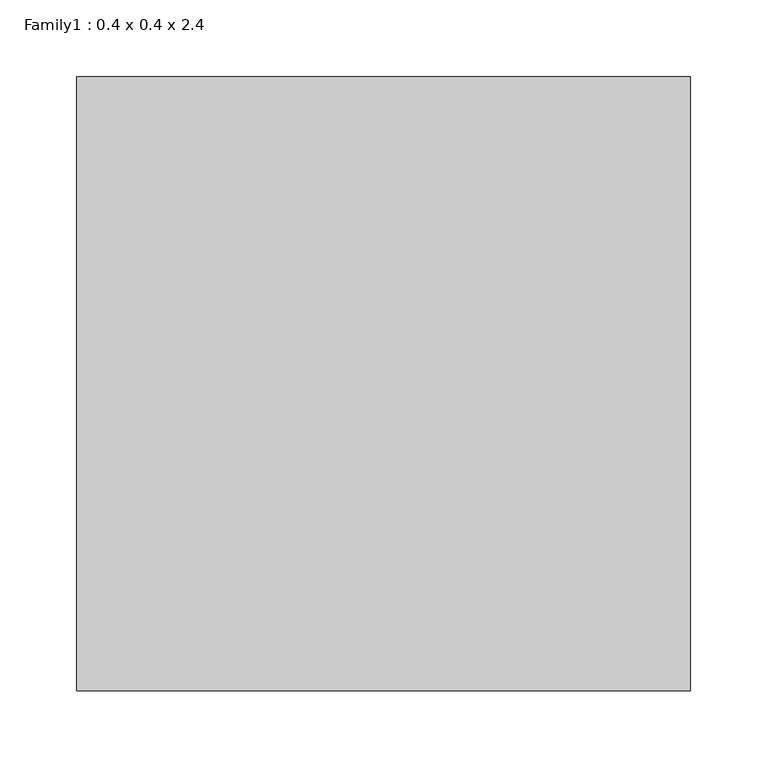
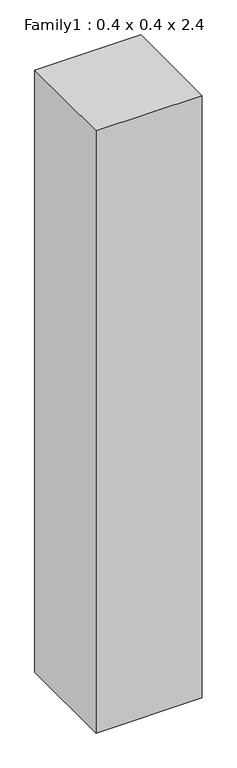
"""IFC4 building model written with IfcOpenShell, lengths in millimetres: proxy geometry, Family1 : 0.4 x 0.4 x 2.4."""

from ifc_helpers import new_model, si_unit, origin, origin_with_axes, place, context, project, spatial, polyline, outline, extrude, source, transform, mapped, element, save


def family1_0_4_x_0_4_x_2_4_3eda7042(model_context):
    return source(origin(), model_context, "Body", "SweptSolid", [
        extrude(outline(polyline([(-200.0, 600.0), (-200.0, 200.0), (-600.0, 200.0), (-600.0, 600.0), (-200.0, 600.0)])), origin_with_axes(), (0.0, 0.0, 1.0), 2400.0),
    ])


if __name__ == "__main__":
    model = new_model("IFC4")
    model_context = context("Model", 3, world=origin())
    ifc_project = project(units=[si_unit("LENGTHUNIT", "METRE", prefix="MILLI")], contexts=[model_context])
    site = spatial("IfcSite", under=ifc_project)
    building = spatial("IfcBuilding", under=site)
    placement = place(None, origin())
    family1_0_4_x_0_4_x_2_4_shape = family1_0_4_x_0_4_x_2_4_3eda7042(model_context)
    element("IfcBuildingElementProxy", 1, Name="Family1 : 0.4 x 0.4 x 2.4", ObjectType="Family1 : 0.4 x 0.4 x 2.4", at=placement, inside=building, context=model_context, shape_type="MappedRepresentation", body=[
        mapped(family1_0_4_x_0_4_x_2_4_shape, transform((0.0, 0.0, 0.0), x_axis=(1.0, 0.0, 0.0), y_axis=(0.0, 1.0, 0.0), z_axis=(0.0, 0.0, 1.0))),
    ])
    save(model, "model.ifc")
